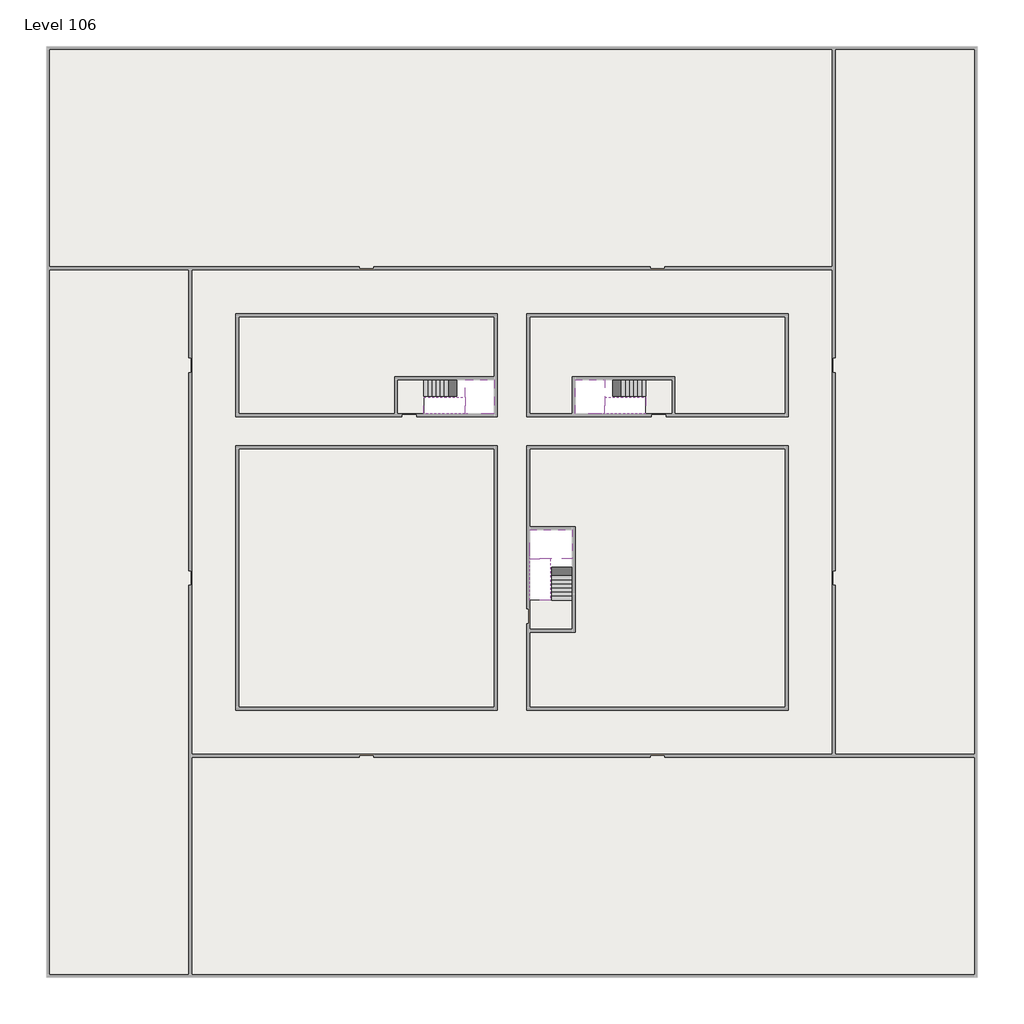
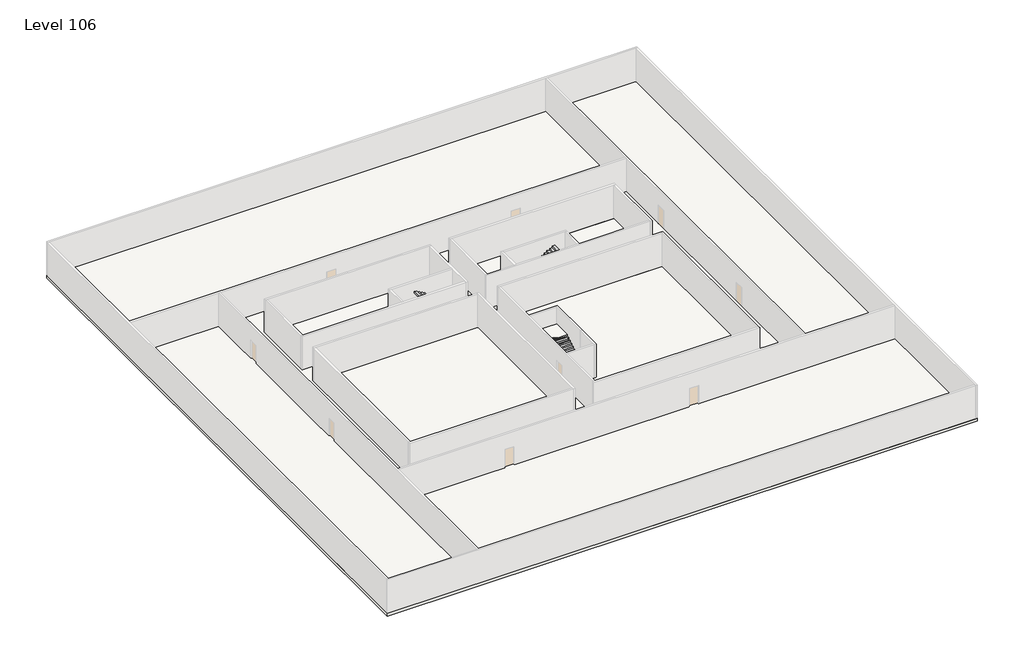
# One storey, part 2 of 2: 6 slabs, 6 stair flights.
"""IFC4 building model written with IfcOpenShell, lengths in millimetres."""

from ifc_helpers import new_model, si_unit, frame, origin, place, context, project, spatial, polyline, outline, extrude, faceted_brep, element, save

model = new_model("IFC4")

# Units and contexts
model_context = context("Model", 3, world=origin())
ifc_project = project(units=[si_unit("LENGTHUNIT", "METRE", prefix="MILLI")], contexts=[model_context])

# Site, building, storey
site = spatial("IfcSite", under=ifc_project)
building = spatial("IfcBuilding", under=site)
storey = spatial("IfcBuildingStorey", under=building, Name="Level 106", Elevation=399000.0)

# Slabs
placement = place(None, origin())
element("IfcSlab", 1, at=placement, inside=storey, context=model_context, shape_type="SweptSolid", body=[
    extrude(outline(polyline([(55890.1058784, -5518.09644), (55890.1058784, -68918.09644), (-7509.8941216, -68918.09644), (-7509.8941216, -5518.09644), (55890.1058784, -5518.09644)]), holes=[polyline([(22990.1058784, -23918.09644), (5590.1058784, -23918.09644), (5590.1058784, -30518.09644), (22990.1058784, -30518.09644), (22990.1058784, -23918.09644)]), polyline([(42990.1058784, -23918.09644), (25390.1058784, -23918.09644), (25390.1058784, -30518.09644), (42990.1058784, -30518.09644), (42990.1058784, -23918.09644)]), polyline([(25390.1058784, -50518.09644), (42790.1058784, -50518.09644), (42790.1058784, -32918.09644), (25390.1058784, -32918.09644), (25390.1058784, -50518.09644)]), polyline([(22990.1058784, -32918.09644), (5590.1058784, -32918.09644), (5590.1058784, -50518.09644), (22990.1058784, -50518.09644), (22990.1058784, -32918.09644)])]), frame((0.0, 0.0, 398700.0), z_axis=(0.0, 0.0, 1.0), x_axis=(1.0, 0.0, 0.0)), (0.0, 0.0, 1.0), 300.0),
])
element("IfcSlab", 2, at=placement, inside=storey, context=model_context, shape_type="SweptSolid", body=[
    extrude(outline(polyline([(22990.1058784, -23918.09644), (22990.1058784, -28018.09644), (16190.1058784, -28018.09644), (16190.1058784, -30518.09644), (5590.1058784, -30518.09644), (5590.1058784, -23918.09644), (22990.1058784, -23918.09644)])), frame((0.0, 0.0, 398700.0), z_axis=(0.0, 0.0, 1.0), x_axis=(1.0, 0.0, 0.0)), (0.0, 0.0, 1.0), 300.0),
    extrude(outline(polyline([(42790.1058784, -23918.09644), (42790.1058784, -30518.09644), (35290.1058784, -30518.09644), (35290.1058784, -28018.09644), (28490.1058784, -28018.09644), (28490.1058784, -30518.09644), (25390.1058784, -30518.09644), (25390.1058784, -23918.09644), (42790.1058784, -23918.09644)])), frame((0.0, 0.0, 398700.0), z_axis=(0.0, 0.0, 1.0), x_axis=(1.0, 0.0, 0.0)), (0.0, 0.0, 1.0), 300.0),
    extrude(outline(polyline([(22990.1058784, -32918.09644), (22990.1058784, -50518.09644), (5590.1058784, -50518.09644), (5590.1058784, -32918.09644), (22990.1058784, -32918.09644)])), frame((0.0, 0.0, 398700.0), z_axis=(0.0, 0.0, 1.0), x_axis=(1.0, 0.0, 0.0)), (0.0, 0.0, 1.0), 300.0),
    extrude(outline(polyline([(25390.1058784, -38218.09644), (25390.1058784, -32918.09644), (42790.1058784, -32918.09644), (42790.1058784, -50518.09644), (25390.1058784, -50518.09644), (25390.1058784, -45418.09644), (28490.1058784, -45418.09644), (28490.1058784, -38218.09644), (25390.1058784, -38218.09644)])), frame((0.0, 0.0, 398700.0), z_axis=(0.0, 0.0, 1.0), x_axis=(1.0, 0.0, 0.0)), (0.0, 0.0, 1.0), 300.0),
])
element("IfcSlab", 3, at=placement, inside=storey, context=model_context, shape_type="Brep", body=[
    faceted_brep([(26890.1058784, -40418.09644, 400900.0), (28290.1058784, -40418.09644, 400900.0), (28290.1058784, -40338.7100038, 400900.0), (28290.1058784, -38418.09644, 400900.0), (25390.1058784, -38418.09644, 400900.0), (25390.1058784, -40217.4828763, 400900.0), (25390.1058784, -40418.09644, 400900.0), (26790.1058784, -40418.09644, 400900.0), (26890.1058784, -40418.09644, 400600.0), (26890.1058784, -40418.09644, 400551.0278478), (28290.1058784, -40418.09644, 400551.0278478), (28290.1058784, -40418.09644, 400727.2727273), (28290.1058784, -40338.7100038, 400600.0), (28290.1058784, -38418.09644, 400600.0), (25390.1058784, -38418.09644, 400600.0), (25390.1058784, -40217.4828763, 400600.0), (25390.1058784, -40418.09644, 400723.7551205), (26790.1058784, -40418.09644, 400723.7551205), (26790.1058784, -40418.09644, 400600.0), (26790.1058784, -40217.4828763, 400600.0), (26890.1058784, -40338.7100038, 400600.0)], [[[0, 1, 2, 3, 4, 5, 6, 7]], [[1, 0, 8, 9, 10, 11]], [[1, 11, 10, 12, 13, 3, 2]], [[4, 3, 13, 14]], [[4, 14, 15, 16, 6, 5]], [[7, 6, 16, 17]], [[0, 7, 17, 18, 8]], [[18, 19, 15, 14, 13, 12, 20, 8]], [[19, 18, 17]], [[20, 12, 10, 9]], [[8, 20, 9]], [[15, 19, 17, 16]]]),
])
element("IfcSlab", 4, at=placement, inside=storey, context=model_context, shape_type="Brep", body=[
    faceted_brep([(20990.1058784, -28218.09644, 400900.0), (20990.1058784, -29318.09644, 400900.0), (20990.1058784, -29418.09644, 400900.0), (20990.1058784, -30518.09644, 400900.0), (21190.7194421, -30518.09644, 400900.0), (22990.1058784, -30518.09644, 400900.0), (22990.1058784, -28218.09644, 400900.0), (21069.4923146, -28218.09644, 400900.0), (20990.1058784, -28218.09644, 400727.2727273), (20990.1058784, -28218.09644, 400551.0278478), (20990.1058784, -29318.09644, 400551.0278478), (20990.1058784, -29318.09644, 400600.0), (20990.1058784, -29418.09644, 400600.0), (20990.1058784, -29418.09644, 400723.7551205), (20990.1058784, -30518.09644, 400723.7551205), (21190.7194421, -30518.09644, 400600.0), (22990.1058784, -30518.09644, 400600.0), (22990.1058784, -28218.09644, 400600.0), (21069.4923146, -28218.09644, 400600.0), (21190.7194421, -29418.09644, 400600.0), (21069.4923146, -29318.09644, 400600.0)], [[[0, 1, 2, 3, 4, 5, 6, 7]], [[1, 0, 8, 9, 10, 11]], [[2, 1, 11, 12, 13]], [[3, 2, 13, 14]], [[3, 14, 15, 16, 5, 4]], [[6, 5, 16, 17]], [[9, 8, 0, 7, 6, 17, 18]], [[19, 12, 11, 20, 18, 17, 16, 15]], [[12, 19, 13]], [[18, 20, 10, 9]], [[20, 11, 10]], [[19, 15, 14, 13]]]),
])
element("IfcSlab", 5, at=placement, inside=storey, context=model_context, shape_type="Brep", body=[
    faceted_brep([(30490.1058784, -29318.09644, 400900.0), (30490.1058784, -28218.09644, 400900.0), (30410.7194421, -28218.09644, 400900.0), (28490.1058784, -28218.09644, 400900.0), (28490.1058784, -30518.09644, 400900.0), (30289.4923146, -30518.09644, 400900.0), (30490.1058784, -30518.09644, 400900.0), (30490.1058784, -29418.09644, 400900.0), (30490.1058784, -29318.09644, 400600.0), (30490.1058784, -29318.09644, 400551.0278478), (30490.1058784, -28218.09644, 400551.0278478), (30490.1058784, -28218.09644, 400727.2727273), (30490.1058784, -29418.09644, 400723.7551205), (30490.1058784, -29418.09644, 400600.0), (30490.1058784, -30518.09644, 400723.7551205), (28490.1058784, -30518.09644, 400600.0), (30289.4923146, -30518.09644, 400600.0), (28490.1058784, -28218.09644, 400600.0), (30410.7194421, -28218.09644, 400600.0), (30289.4923146, -29418.09644, 400600.0), (30410.7194421, -29318.09644, 400600.0)], [[[0, 1, 2, 3, 4, 5, 6, 7]], [[1, 0, 8, 9, 10, 11]], [[0, 7, 12, 13, 8]], [[7, 6, 14, 12]], [[4, 15, 16, 14, 6, 5]], [[4, 3, 17, 15]], [[1, 11, 10, 18, 17, 3, 2]], [[13, 19, 16, 15, 17, 18, 20, 8]], [[20, 18, 10, 9]], [[8, 20, 9]], [[16, 19, 12, 14]], [[19, 13, 12]]]),
])
element("IfcSlab", 6, at=placement, inside=storey, context=model_context, shape_type="SweptSolid", body=[
    extrude(outline(polyline([(35090.1058784, -28218.09644), (35090.1058784, -30518.09644), (33290.1058784, -30518.09644), (33290.1058784, -28218.09644), (35090.1058784, -28218.09644)])), frame((0.0, 0.0, 398700.0), z_axis=(0.0, 0.0, 1.0), x_axis=(1.0, 0.0, 0.0)), (0.0, 0.0, 1.0), 300.0),
    extrude(outline(polyline([(18190.1058784, -28218.09644), (18190.1058784, -30518.09644), (16390.1058784, -30518.09644), (16390.1058784, -28218.09644), (18190.1058784, -28218.09644)])), frame((0.0, 0.0, 398700.0), z_axis=(0.0, 0.0, 1.0), x_axis=(1.0, 0.0, 0.0)), (0.0, 0.0, 1.0), 300.0),
    extrude(outline(polyline([(28290.1058784, -43218.09644), (28290.1058784, -45218.09644), (25390.1058784, -45218.09644), (25390.1058784, -43218.09644), (28290.1058784, -43218.09644)])), frame((0.0, 0.0, 398700.0), z_axis=(0.0, 0.0, 1.0), x_axis=(1.0, 0.0, 0.0)), (0.0, 0.0, 1.0), 300.0),
])

# Stair flights
element("IfcStairFlight", 7, at=placement, inside=storey, context=model_context, shape_type="Brep", body=[
    faceted_brep([(26890.1058784, -42938.09644, 399172.7272727), (26890.1058784, -43218.09644, 399172.7272727), (28290.1058784, -43218.09644, 399172.7272727), (28290.1058784, -42938.09644, 399172.7272727), (26890.1058784, -42938.09644, 399000.0), (26890.1058784, -43218.09644, 399000.0), (28290.1058784, -43218.09644, 399000.0), (28290.1058784, -42938.09644, 399000.0), (26890.1058784, -42658.09644, 399345.4545455), (26890.1058784, -42938.09644, 399345.4545455), (28290.1058784, -42938.09644, 399345.4545455), (28290.1058784, -42658.09644, 399345.4545455), (26890.1058784, -42658.09644, 399169.209666), (26890.1058784, -42932.3942143, 399000.0), (28290.1058784, -42932.3942143, 399000.0), (28290.1058784, -42658.09644, 399169.209666), (26890.1058784, -42378.09644, 399518.1818182), (26890.1058784, -42658.09644, 399518.1818182), (28290.1058784, -42658.09644, 399518.1818182), (28290.1058784, -42378.09644, 399518.1818182), (26890.1058784, -42378.09644, 399341.9369387), (28290.1058784, -42378.09644, 399341.9369387), (26890.1058784, -42098.09644, 399690.9090909), (26890.1058784, -42378.09644, 399690.9090909), (28290.1058784, -42378.09644, 399690.9090909), (28290.1058784, -42098.09644, 399690.9090909), (26890.1058784, -42098.09644, 399514.6642114), (28290.1058784, -42098.09644, 399514.6642114), (26890.1058784, -41818.09644, 399863.6363636), (26890.1058784, -42098.09644, 399863.6363636), (28290.1058784, -42098.09644, 399863.6363636), (28290.1058784, -41818.09644, 399863.6363636), (26890.1058784, -41818.09644, 399687.3914841), (28290.1058784, -41818.09644, 399687.3914841), (26890.1058784, -41538.09644, 400036.3636364), (26890.1058784, -41818.09644, 400036.3636364), (28290.1058784, -41818.09644, 400036.3636364), (28290.1058784, -41538.09644, 400036.3636364), (26890.1058784, -41538.09644, 399860.1187569), (28290.1058784, -41538.09644, 399860.1187569), (26890.1058784, -41258.09644, 400209.0909091), (26890.1058784, -41538.09644, 400209.0909091), (28290.1058784, -41538.09644, 400209.0909091), (28290.1058784, -41258.09644, 400209.0909091), (26890.1058784, -41258.09644, 400032.8460296), (28290.1058784, -41258.09644, 400032.8460296), (26890.1058784, -40978.09644, 400381.8181818), (26890.1058784, -41258.09644, 400381.8181818), (28290.1058784, -41258.09644, 400381.8181818), (28290.1058784, -40978.09644, 400381.8181818), (26890.1058784, -40978.09644, 400205.5733023), (28290.1058784, -40978.09644, 400205.5733023), (26890.1058784, -40698.09644, 400554.5454545), (26890.1058784, -40978.09644, 400554.5454545), (28290.1058784, -40978.09644, 400554.5454545), (28290.1058784, -40698.09644, 400554.5454545), (26890.1058784, -40698.09644, 400378.3005751), (28290.1058784, -40698.09644, 400378.3005751), (26890.1058784, -40418.09644, 400727.2727273), (26890.1058784, -40698.09644, 400727.2727273), (28290.1058784, -40698.09644, 400727.2727273), (28290.1058784, -40418.09644, 400727.2727273), (26890.1058784, -40418.09644, 400600.0), (26890.1058784, -40418.09644, 400551.0278478), (28290.1058784, -40418.09644, 400551.0278478)], [[[0, 1, 2, 3]], [[1, 0, 4, 5]], [[2, 1, 5, 6]], [[3, 2, 6, 7]], [[8, 9, 10, 11]], [[4, 0, 9, 8, 12, 13]], [[0, 3, 10, 9]], [[3, 7, 14, 15, 11, 10]], [[16, 17, 18, 19]], [[17, 16, 20, 12, 8]], [[8, 11, 18, 17]], [[19, 18, 11, 15, 21]], [[22, 23, 24, 25]], [[23, 22, 26, 20, 16]], [[16, 19, 24, 23]], [[25, 24, 19, 21, 27]], [[28, 29, 30, 31]], [[29, 28, 32, 26, 22]], [[22, 25, 30, 29]], [[31, 30, 25, 27, 33]], [[34, 35, 36, 37]], [[35, 34, 38, 32, 28]], [[28, 31, 36, 35]], [[37, 36, 31, 33, 39]], [[40, 41, 42, 43]], [[41, 40, 44, 38, 34]], [[34, 37, 42, 41]], [[43, 42, 37, 39, 45]], [[46, 47, 48, 49]], [[47, 46, 50, 44, 40]], [[40, 43, 48, 47]], [[49, 48, 43, 45, 51]], [[52, 53, 54, 55]], [[53, 52, 56, 50, 46]], [[46, 49, 54, 53]], [[55, 54, 49, 51, 57]], [[58, 59, 60, 61]], [[59, 58, 62, 63, 56, 52]], [[52, 55, 60, 59]], [[61, 60, 55, 57, 64]], [[58, 61, 64, 63, 62]], [[5, 4, 13, 14, 7, 6]], [[14, 13, 12, 20, 26, 32, 38, 44, 50, 56, 63, 64, 57, 51, 45, 39, 33, 27, 21, 15]]]),
])
element("IfcStairFlight", 8, at=placement, inside=storey, context=model_context, shape_type="Brep", body=[
    faceted_brep([(26790.1058784, -40698.09644, 401072.7272727), (26790.1058784, -40418.09644, 401072.7272727), (25390.1058784, -40418.09644, 401072.7272727), (25390.1058784, -40698.09644, 401072.7272727), (26790.1058784, -40698.09644, 400896.4823932), (26790.1058784, -40418.09644, 400723.7551205), (25390.1058784, -40418.09644, 400723.7551205), (25390.1058784, -40418.09644, 400900.0), (25390.1058784, -40698.09644, 400896.4823932), (26790.1058784, -40978.09644, 401245.4545455), (26790.1058784, -40698.09644, 401245.4545455), (25390.1058784, -40698.09644, 401245.4545455), (25390.1058784, -40978.09644, 401245.4545455), (26790.1058784, -40978.09644, 401069.209666), (25390.1058784, -40978.09644, 401069.209666), (26790.1058784, -41258.09644, 401418.1818182), (26790.1058784, -40978.09644, 401418.1818182), (25390.1058784, -40978.09644, 401418.1818182), (25390.1058784, -41258.09644, 401418.1818182), (26790.1058784, -41258.09644, 401241.9369387), (25390.1058784, -41258.09644, 401241.9369387), (26790.1058784, -41538.09644, 401590.9090909), (26790.1058784, -41258.09644, 401590.9090909), (25390.1058784, -41258.09644, 401590.9090909), (25390.1058784, -41538.09644, 401590.9090909), (26790.1058784, -41538.09644, 401414.6642114), (25390.1058784, -41538.09644, 401414.6642114), (26790.1058784, -41818.09644, 401763.6363636), (26790.1058784, -41538.09644, 401763.6363636), (25390.1058784, -41538.09644, 401763.6363636), (25390.1058784, -41818.09644, 401763.6363636), (26790.1058784, -41818.09644, 401587.3914841), (25390.1058784, -41818.09644, 401587.3914841), (26790.1058784, -42098.09644, 401936.3636364), (26790.1058784, -41818.09644, 401936.3636364), (25390.1058784, -41818.09644, 401936.3636364), (25390.1058784, -42098.09644, 401936.3636364), (26790.1058784, -42098.09644, 401760.1187569), (25390.1058784, -42098.09644, 401760.1187569), (26790.1058784, -42378.09644, 402109.0909091), (26790.1058784, -42098.09644, 402109.0909091), (25390.1058784, -42098.09644, 402109.0909091), (25390.1058784, -42378.09644, 402109.0909091), (26790.1058784, -42378.09644, 401932.8460296), (25390.1058784, -42378.09644, 401932.8460296), (26790.1058784, -42658.09644, 402281.8181818), (26790.1058784, -42378.09644, 402281.8181818), (25390.1058784, -42378.09644, 402281.8181818), (25390.1058784, -42658.09644, 402281.8181818), (26790.1058784, -42658.09644, 402105.5733023), (25390.1058784, -42658.09644, 402105.5733023), (26790.1058784, -42938.09644, 402454.5454545), (26790.1058784, -42658.09644, 402454.5454545), (25390.1058784, -42658.09644, 402454.5454545), (25390.1058784, -42938.09644, 402454.5454545), (26790.1058784, -42938.09644, 402278.3005751), (25390.1058784, -42938.09644, 402278.3005751), (26790.1058784, -43218.09644, 402627.2727273), (26790.1058784, -42938.09644, 402627.2727273), (25390.1058784, -42938.09644, 402627.2727273), (25390.1058784, -43218.09644, 402627.2727273), (26790.1058784, -43218.09644, 402451.0278478), (25390.1058784, -43218.09644, 402451.0278478)], [[[0, 1, 2, 3]], [[1, 0, 4, 5]], [[2, 1, 5, 6, 7]], [[3, 2, 7, 6, 8]], [[9, 10, 11, 12]], [[10, 9, 13, 4, 0]], [[11, 10, 0, 3]], [[12, 11, 3, 8, 14]], [[15, 16, 17, 18]], [[16, 15, 19, 13, 9]], [[17, 16, 9, 12]], [[18, 17, 12, 14, 20]], [[21, 22, 23, 24]], [[22, 21, 25, 19, 15]], [[23, 22, 15, 18]], [[24, 23, 18, 20, 26]], [[27, 28, 29, 30]], [[28, 27, 31, 25, 21]], [[29, 28, 21, 24]], [[30, 29, 24, 26, 32]], [[33, 34, 35, 36]], [[34, 33, 37, 31, 27]], [[35, 34, 27, 30]], [[36, 35, 30, 32, 38]], [[39, 40, 41, 42]], [[40, 39, 43, 37, 33]], [[41, 40, 33, 36]], [[42, 41, 36, 38, 44]], [[45, 46, 47, 48]], [[46, 45, 49, 43, 39]], [[47, 46, 39, 42]], [[48, 47, 42, 44, 50]], [[51, 52, 53, 54]], [[52, 51, 55, 49, 45]], [[53, 52, 45, 48]], [[54, 53, 48, 50, 56]], [[57, 58, 59, 60]], [[58, 57, 61, 55, 51]], [[59, 58, 51, 54]], [[60, 59, 54, 56, 62]], [[57, 60, 62, 61]], [[5, 4, 13, 19, 25, 31, 37, 43, 49, 55, 61, 62, 56, 50, 44, 38, 32, 26, 20, 14, 8, 6]]]),
])
element("IfcStairFlight", 9, at=placement, inside=storey, context=model_context, shape_type="Brep", body=[
    faceted_brep([(18470.1058784, -28218.09644, 399172.7272727), (18190.1058784, -28218.09644, 399172.7272727), (18190.1058784, -29318.09644, 399172.7272727), (18470.1058784, -29318.09644, 399172.7272727), (18470.1058784, -28218.09644, 399000.0), (18190.1058784, -28218.09644, 399000.0), (18190.1058784, -29318.09644, 399000.0), (18470.1058784, -29318.09644, 399000.0), (18750.1058784, -28218.09644, 399345.4545455), (18470.1058784, -28218.09644, 399345.4545455), (18470.1058784, -29318.09644, 399345.4545455), (18750.1058784, -29318.09644, 399345.4545455), (18750.1058784, -28218.09644, 399169.209666), (18475.8081041, -28218.09644, 399000.0), (18475.8081041, -29318.09644, 399000.0), (18750.1058784, -29318.09644, 399169.209666), (19030.1058784, -28218.09644, 399518.1818182), (18750.1058784, -28218.09644, 399518.1818182), (18750.1058784, -29318.09644, 399518.1818182), (19030.1058784, -29318.09644, 399518.1818182), (19030.1058784, -28218.09644, 399341.9369387), (19030.1058784, -29318.09644, 399341.9369387), (19310.1058784, -28218.09644, 399690.9090909), (19030.1058784, -28218.09644, 399690.9090909), (19030.1058784, -29318.09644, 399690.9090909), (19310.1058784, -29318.09644, 399690.9090909), (19310.1058784, -28218.09644, 399514.6642114), (19310.1058784, -29318.09644, 399514.6642114), (19590.1058784, -28218.09644, 399863.6363636), (19310.1058784, -28218.09644, 399863.6363636), (19310.1058784, -29318.09644, 399863.6363636), (19590.1058784, -29318.09644, 399863.6363636), (19590.1058784, -28218.09644, 399687.3914841), (19590.1058784, -29318.09644, 399687.3914841), (19870.1058784, -28218.09644, 400036.3636364), (19590.1058784, -28218.09644, 400036.3636364), (19590.1058784, -29318.09644, 400036.3636364), (19870.1058784, -29318.09644, 400036.3636364), (19870.1058784, -28218.09644, 399860.1187569), (19870.1058784, -29318.09644, 399860.1187569), (20150.1058784, -28218.09644, 400209.0909091), (19870.1058784, -28218.09644, 400209.0909091), (19870.1058784, -29318.09644, 400209.0909091), (20150.1058784, -29318.09644, 400209.0909091), (20150.1058784, -28218.09644, 400032.8460296), (20150.1058784, -29318.09644, 400032.8460296), (20430.1058784, -28218.09644, 400381.8181818), (20150.1058784, -28218.09644, 400381.8181818), (20150.1058784, -29318.09644, 400381.8181818), (20430.1058784, -29318.09644, 400381.8181818), (20430.1058784, -28218.09644, 400205.5733023), (20430.1058784, -29318.09644, 400205.5733023), (20710.1058784, -28218.09644, 400554.5454545), (20430.1058784, -28218.09644, 400554.5454545), (20430.1058784, -29318.09644, 400554.5454545), (20710.1058784, -29318.09644, 400554.5454545), (20710.1058784, -28218.09644, 400378.3005751), (20710.1058784, -29318.09644, 400378.3005751), (20990.1058784, -28218.09644, 400727.2727273), (20710.1058784, -28218.09644, 400727.2727273), (20710.1058784, -29318.09644, 400727.2727273), (20990.1058784, -29318.09644, 400727.2727273), (20990.1058784, -28218.09644, 400551.0278478), (20990.1058784, -29318.09644, 400551.0278478), (20990.1058784, -29318.09644, 400600.0)], [[[0, 1, 2, 3]], [[1, 0, 4, 5]], [[2, 1, 5, 6]], [[3, 2, 6, 7]], [[8, 9, 10, 11]], [[4, 0, 9, 8, 12, 13]], [[0, 3, 10, 9]], [[3, 7, 14, 15, 11, 10]], [[16, 17, 18, 19]], [[17, 16, 20, 12, 8]], [[8, 11, 18, 17]], [[19, 18, 11, 15, 21]], [[22, 23, 24, 25]], [[23, 22, 26, 20, 16]], [[16, 19, 24, 23]], [[25, 24, 19, 21, 27]], [[28, 29, 30, 31]], [[29, 28, 32, 26, 22]], [[22, 25, 30, 29]], [[31, 30, 25, 27, 33]], [[34, 35, 36, 37]], [[35, 34, 38, 32, 28]], [[28, 31, 36, 35]], [[37, 36, 31, 33, 39]], [[40, 41, 42, 43]], [[41, 40, 44, 38, 34]], [[34, 37, 42, 41]], [[43, 42, 37, 39, 45]], [[46, 47, 48, 49]], [[47, 46, 50, 44, 40]], [[40, 43, 48, 47]], [[49, 48, 43, 45, 51]], [[52, 53, 54, 55]], [[53, 52, 56, 50, 46]], [[46, 49, 54, 53]], [[55, 54, 49, 51, 57]], [[58, 59, 60, 61]], [[59, 58, 62, 56, 52]], [[52, 55, 60, 59]], [[61, 60, 55, 57, 63, 64]], [[58, 61, 64, 63, 62]], [[5, 4, 13, 14, 7, 6]], [[14, 13, 12, 20, 26, 32, 38, 44, 50, 56, 62, 63, 57, 51, 45, 39, 33, 27, 21, 15]]]),
])
element("IfcStairFlight", 10, at=placement, inside=storey, context=model_context, shape_type="Brep", body=[
    faceted_brep([(20710.1058784, -30518.09644, 401072.7272727), (20990.1058784, -30518.09644, 401072.7272727), (20990.1058784, -29418.09644, 401072.7272727), (20710.1058784, -29418.09644, 401072.7272727), (20710.1058784, -30518.09644, 400896.4823932), (20990.1058784, -30518.09644, 400723.7551205), (20990.1058784, -30518.09644, 400900.0), (20990.1058784, -29418.09644, 400723.7551205), (20710.1058784, -29418.09644, 400896.4823932), (20430.1058784, -30518.09644, 401245.4545455), (20710.1058784, -30518.09644, 401245.4545455), (20710.1058784, -29418.09644, 401245.4545455), (20430.1058784, -29418.09644, 401245.4545455), (20430.1058784, -30518.09644, 401069.209666), (20430.1058784, -29418.09644, 401069.209666), (20150.1058784, -30518.09644, 401418.1818182), (20430.1058784, -30518.09644, 401418.1818182), (20430.1058784, -29418.09644, 401418.1818182), (20150.1058784, -29418.09644, 401418.1818182), (20150.1058784, -30518.09644, 401241.9369387), (20150.1058784, -29418.09644, 401241.9369387), (19870.1058784, -30518.09644, 401590.9090909), (20150.1058784, -30518.09644, 401590.9090909), (20150.1058784, -29418.09644, 401590.9090909), (19870.1058784, -29418.09644, 401590.9090909), (19870.1058784, -30518.09644, 401414.6642114), (19870.1058784, -29418.09644, 401414.6642114), (19590.1058784, -30518.09644, 401763.6363636), (19870.1058784, -30518.09644, 401763.6363636), (19870.1058784, -29418.09644, 401763.6363636), (19590.1058784, -29418.09644, 401763.6363636), (19590.1058784, -30518.09644, 401587.3914841), (19590.1058784, -29418.09644, 401587.3914841), (19310.1058784, -30518.09644, 401936.3636364), (19590.1058784, -30518.09644, 401936.3636364), (19590.1058784, -29418.09644, 401936.3636364), (19310.1058784, -29418.09644, 401936.3636364), (19310.1058784, -30518.09644, 401760.1187569), (19310.1058784, -29418.09644, 401760.1187569), (19030.1058784, -30518.09644, 402109.0909091), (19310.1058784, -30518.09644, 402109.0909091), (19310.1058784, -29418.09644, 402109.0909091), (19030.1058784, -29418.09644, 402109.0909091), (19030.1058784, -30518.09644, 401932.8460296), (19030.1058784, -29418.09644, 401932.8460296), (18750.1058784, -30518.09644, 402281.8181818), (19030.1058784, -30518.09644, 402281.8181818), (19030.1058784, -29418.09644, 402281.8181818), (18750.1058784, -29418.09644, 402281.8181818), (18750.1058784, -30518.09644, 402105.5733023), (18750.1058784, -29418.09644, 402105.5733023), (18470.1058784, -30518.09644, 402454.5454545), (18750.1058784, -30518.09644, 402454.5454545), (18750.1058784, -29418.09644, 402454.5454545), (18470.1058784, -29418.09644, 402454.5454545), (18470.1058784, -30518.09644, 402278.3005751), (18470.1058784, -29418.09644, 402278.3005751), (18190.1058784, -30518.09644, 402627.2727273), (18470.1058784, -30518.09644, 402627.2727273), (18470.1058784, -29418.09644, 402627.2727273), (18190.1058784, -29418.09644, 402627.2727273), (18190.1058784, -30518.09644, 402451.0278478), (18190.1058784, -29418.09644, 402451.0278478)], [[[0, 1, 2, 3]], [[1, 0, 4, 5, 6]], [[2, 1, 6, 5, 7]], [[3, 2, 7, 8]], [[9, 10, 11, 12]], [[10, 9, 13, 4, 0]], [[11, 10, 0, 3]], [[12, 11, 3, 8, 14]], [[15, 16, 17, 18]], [[16, 15, 19, 13, 9]], [[17, 16, 9, 12]], [[18, 17, 12, 14, 20]], [[21, 22, 23, 24]], [[22, 21, 25, 19, 15]], [[23, 22, 15, 18]], [[24, 23, 18, 20, 26]], [[27, 28, 29, 30]], [[28, 27, 31, 25, 21]], [[29, 28, 21, 24]], [[30, 29, 24, 26, 32]], [[33, 34, 35, 36]], [[34, 33, 37, 31, 27]], [[35, 34, 27, 30]], [[36, 35, 30, 32, 38]], [[39, 40, 41, 42]], [[40, 39, 43, 37, 33]], [[41, 40, 33, 36]], [[42, 41, 36, 38, 44]], [[45, 46, 47, 48]], [[46, 45, 49, 43, 39]], [[47, 46, 39, 42]], [[48, 47, 42, 44, 50]], [[51, 52, 53, 54]], [[52, 51, 55, 49, 45]], [[53, 52, 45, 48]], [[54, 53, 48, 50, 56]], [[57, 58, 59, 60]], [[58, 57, 61, 55, 51]], [[59, 58, 51, 54]], [[60, 59, 54, 56, 62]], [[57, 60, 62, 61]], [[5, 4, 13, 19, 25, 31, 37, 43, 49, 55, 61, 62, 56, 50, 44, 38, 32, 26, 20, 14, 8, 7]]]),
])
element("IfcStairFlight", 11, at=placement, inside=storey, context=model_context, shape_type="Brep", body=[
    faceted_brep([(33010.1058784, -29318.09644, 399172.7272727), (33290.1058784, -29318.09644, 399172.7272727), (33290.1058784, -28218.09644, 399172.7272727), (33010.1058784, -28218.09644, 399172.7272727), (33290.1058784, -28218.09644, 399000.0), (33010.1058784, -28218.09644, 399000.0), (33290.1058784, -29318.09644, 399000.0), (33010.1058784, -29318.09644, 399000.0), (32730.1058784, -29318.09644, 399345.4545455), (33010.1058784, -29318.09644, 399345.4545455), (33010.1058784, -28218.09644, 399345.4545455), (32730.1058784, -28218.09644, 399345.4545455), (33004.4036527, -28218.09644, 399000.0), (32730.1058784, -28218.09644, 399169.209666), (32730.1058784, -29318.09644, 399169.209666), (33004.4036527, -29318.09644, 399000.0), (32450.1058784, -29318.09644, 399518.1818182), (32730.1058784, -29318.09644, 399518.1818182), (32730.1058784, -28218.09644, 399518.1818182), (32450.1058784, -28218.09644, 399518.1818182), (32450.1058784, -28218.09644, 399341.9369387), (32450.1058784, -29318.09644, 399341.9369387), (32170.1058784, -29318.09644, 399690.9090909), (32450.1058784, -29318.09644, 399690.9090909), (32450.1058784, -28218.09644, 399690.9090909), (32170.1058784, -28218.09644, 399690.9090909), (32170.1058784, -28218.09644, 399514.6642114), (32170.1058784, -29318.09644, 399514.6642114), (31890.1058784, -29318.09644, 399863.6363636), (32170.1058784, -29318.09644, 399863.6363636), (32170.1058784, -28218.09644, 399863.6363636), (31890.1058784, -28218.09644, 399863.6363636), (31890.1058784, -28218.09644, 399687.3914841), (31890.1058784, -29318.09644, 399687.3914841), (31610.1058784, -29318.09644, 400036.3636364), (31890.1058784, -29318.09644, 400036.3636364), (31890.1058784, -28218.09644, 400036.3636364), (31610.1058784, -28218.09644, 400036.3636364), (31610.1058784, -28218.09644, 399860.1187569), (31610.1058784, -29318.09644, 399860.1187569), (31330.1058784, -29318.09644, 400209.0909091), (31610.1058784, -29318.09644, 400209.0909091), (31610.1058784, -28218.09644, 400209.0909091), (31330.1058784, -28218.09644, 400209.0909091), (31330.1058784, -28218.09644, 400032.8460296), (31330.1058784, -29318.09644, 400032.8460296), (31050.1058784, -29318.09644, 400381.8181818), (31330.1058784, -29318.09644, 400381.8181818), (31330.1058784, -28218.09644, 400381.8181818), (31050.1058784, -28218.09644, 400381.8181818), (31050.1058784, -28218.09644, 400205.5733023), (31050.1058784, -29318.09644, 400205.5733023), (30770.1058784, -29318.09644, 400554.5454545), (31050.1058784, -29318.09644, 400554.5454545), (31050.1058784, -28218.09644, 400554.5454545), (30770.1058784, -28218.09644, 400554.5454545), (30770.1058784, -28218.09644, 400378.3005751), (30770.1058784, -29318.09644, 400378.3005751), (30490.1058784, -29318.09644, 400727.2727273), (30770.1058784, -29318.09644, 400727.2727273), (30770.1058784, -28218.09644, 400727.2727273), (30490.1058784, -28218.09644, 400727.2727273), (30490.1058784, -28218.09644, 400551.0278478), (30490.1058784, -29318.09644, 400600.0), (30490.1058784, -29318.09644, 400551.0278478)], [[[0, 1, 2, 3]], [[3, 2, 4, 5]], [[2, 1, 6, 4]], [[1, 0, 7, 6]], [[8, 9, 10, 11]], [[3, 5, 12, 13, 11, 10]], [[0, 3, 10, 9]], [[7, 0, 9, 8, 14, 15]], [[16, 17, 18, 19]], [[19, 18, 11, 13, 20]], [[8, 11, 18, 17]], [[17, 16, 21, 14, 8]], [[22, 23, 24, 25]], [[25, 24, 19, 20, 26]], [[16, 19, 24, 23]], [[23, 22, 27, 21, 16]], [[28, 29, 30, 31]], [[31, 30, 25, 26, 32]], [[22, 25, 30, 29]], [[29, 28, 33, 27, 22]], [[34, 35, 36, 37]], [[37, 36, 31, 32, 38]], [[28, 31, 36, 35]], [[35, 34, 39, 33, 28]], [[40, 41, 42, 43]], [[43, 42, 37, 38, 44]], [[34, 37, 42, 41]], [[41, 40, 45, 39, 34]], [[46, 47, 48, 49]], [[49, 48, 43, 44, 50]], [[40, 43, 48, 47]], [[47, 46, 51, 45, 40]], [[52, 53, 54, 55]], [[55, 54, 49, 50, 56]], [[46, 49, 54, 53]], [[53, 52, 57, 51, 46]], [[58, 59, 60, 61]], [[61, 60, 55, 56, 62]], [[52, 55, 60, 59]], [[59, 58, 63, 64, 57, 52]], [[58, 61, 62, 64, 63]], [[6, 7, 15, 12, 5, 4]], [[12, 15, 14, 21, 27, 33, 39, 45, 51, 57, 64, 62, 56, 50, 44, 38, 32, 26, 20, 13]]]),
])
element("IfcStairFlight", 12, at=placement, inside=storey, context=model_context, shape_type="Brep", body=[
    faceted_brep([(30770.1058784, -29418.09644, 401072.7272727), (30490.1058784, -29418.09644, 401072.7272727), (30490.1058784, -30518.09644, 401072.7272727), (30770.1058784, -30518.09644, 401072.7272727), (30490.1058784, -30518.09644, 400900.0), (30490.1058784, -30518.09644, 400723.7551205), (30770.1058784, -30518.09644, 400896.4823932), (30490.1058784, -29418.09644, 400723.7551205), (30770.1058784, -29418.09644, 400896.4823932), (31050.1058784, -29418.09644, 401245.4545455), (30770.1058784, -29418.09644, 401245.4545455), (30770.1058784, -30518.09644, 401245.4545455), (31050.1058784, -30518.09644, 401245.4545455), (31050.1058784, -30518.09644, 401069.209666), (31050.1058784, -29418.09644, 401069.209666), (31330.1058784, -29418.09644, 401418.1818182), (31050.1058784, -29418.09644, 401418.1818182), (31050.1058784, -30518.09644, 401418.1818182), (31330.1058784, -30518.09644, 401418.1818182), (31330.1058784, -30518.09644, 401241.9369387), (31330.1058784, -29418.09644, 401241.9369387), (31610.1058784, -29418.09644, 401590.9090909), (31330.1058784, -29418.09644, 401590.9090909), (31330.1058784, -30518.09644, 401590.9090909), (31610.1058784, -30518.09644, 401590.9090909), (31610.1058784, -30518.09644, 401414.6642114), (31610.1058784, -29418.09644, 401414.6642114), (31890.1058784, -29418.09644, 401763.6363636), (31610.1058784, -29418.09644, 401763.6363636), (31610.1058784, -30518.09644, 401763.6363636), (31890.1058784, -30518.09644, 401763.6363636), (31890.1058784, -30518.09644, 401587.3914841), (31890.1058784, -29418.09644, 401587.3914841), (32170.1058784, -29418.09644, 401936.3636364), (31890.1058784, -29418.09644, 401936.3636364), (31890.1058784, -30518.09644, 401936.3636364), (32170.1058784, -30518.09644, 401936.3636364), (32170.1058784, -30518.09644, 401760.1187569), (32170.1058784, -29418.09644, 401760.1187569), (32450.1058784, -29418.09644, 402109.0909091), (32170.1058784, -29418.09644, 402109.0909091), (32170.1058784, -30518.09644, 402109.0909091), (32450.1058784, -30518.09644, 402109.0909091), (32450.1058784, -30518.09644, 401932.8460296), (32450.1058784, -29418.09644, 401932.8460296), (32730.1058784, -29418.09644, 402281.8181818), (32450.1058784, -29418.09644, 402281.8181818), (32450.1058784, -30518.09644, 402281.8181818), (32730.1058784, -30518.09644, 402281.8181818), (32730.1058784, -30518.09644, 402105.5733023), (32730.1058784, -29418.09644, 402105.5733023), (33010.1058784, -29418.09644, 402454.5454545), (32730.1058784, -29418.09644, 402454.5454545), (32730.1058784, -30518.09644, 402454.5454545), (33010.1058784, -30518.09644, 402454.5454545), (33010.1058784, -30518.09644, 402278.3005751), (33010.1058784, -29418.09644, 402278.3005751), (33290.1058784, -29418.09644, 402627.2727273), (33010.1058784, -29418.09644, 402627.2727273), (33010.1058784, -30518.09644, 402627.2727273), (33290.1058784, -30518.09644, 402627.2727273), (33290.1058784, -30518.09644, 402451.0278478), (33290.1058784, -29418.09644, 402451.0278478)], [[[0, 1, 2, 3]], [[3, 2, 4, 5, 6]], [[2, 1, 7, 5, 4]], [[1, 0, 8, 7]], [[9, 10, 11, 12]], [[12, 11, 3, 6, 13]], [[11, 10, 0, 3]], [[10, 9, 14, 8, 0]], [[15, 16, 17, 18]], [[18, 17, 12, 13, 19]], [[17, 16, 9, 12]], [[16, 15, 20, 14, 9]], [[21, 22, 23, 24]], [[24, 23, 18, 19, 25]], [[23, 22, 15, 18]], [[22, 21, 26, 20, 15]], [[27, 28, 29, 30]], [[30, 29, 24, 25, 31]], [[29, 28, 21, 24]], [[28, 27, 32, 26, 21]], [[33, 34, 35, 36]], [[36, 35, 30, 31, 37]], [[35, 34, 27, 30]], [[34, 33, 38, 32, 27]], [[39, 40, 41, 42]], [[42, 41, 36, 37, 43]], [[41, 40, 33, 36]], [[40, 39, 44, 38, 33]], [[45, 46, 47, 48]], [[48, 47, 42, 43, 49]], [[47, 46, 39, 42]], [[46, 45, 50, 44, 39]], [[51, 52, 53, 54]], [[54, 53, 48, 49, 55]], [[53, 52, 45, 48]], [[52, 51, 56, 50, 45]], [[57, 58, 59, 60]], [[60, 59, 54, 55, 61]], [[59, 58, 51, 54]], [[58, 57, 62, 56, 51]], [[57, 60, 61, 62]], [[7, 8, 14, 20, 26, 32, 38, 44, 50, 56, 62, 61, 55, 49, 43, 37, 31, 25, 19, 13, 6, 5]]]),
])

save(model, "model.ifc")
